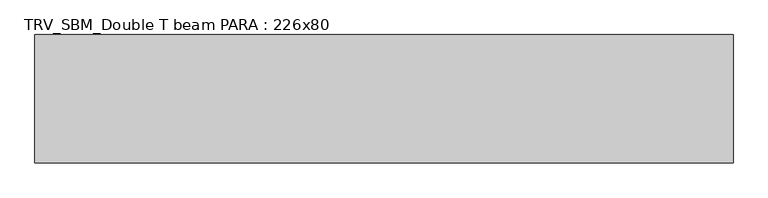
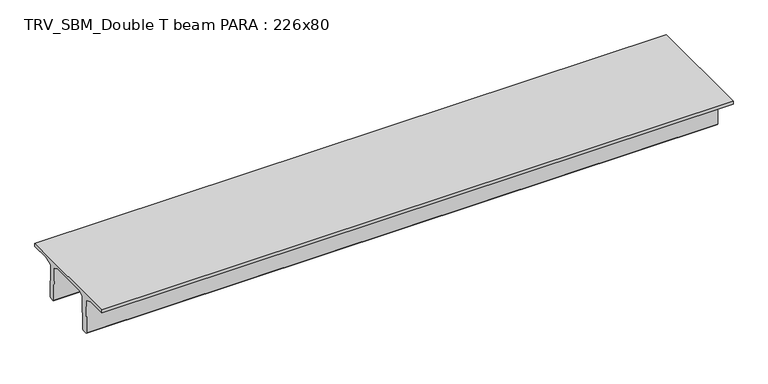
"""IFC4 building model written with IfcOpenShell, lengths in millimetres: beam geometry, TRV_SBM_Double T beam PARA : 226x80."""

from ifc_helpers import new_model, si_unit, frame, origin, place, context, project, spatial, polyline, outline, extrude, source, transform, mapped, element, save


def trv_sbm_double_t_beam_para_226x80_1079ec54(model_context):
    return source(origin(), model_context, "Body", "SweptSolid", [
        extrude(outline(polyline([(352.1399239, 205.988519), (-382.1399239, 205.988519), (-485.0, 144.18395), (-501.9262559, -520.5206011), (-521.4056548, -540.0), (-611.4056548, -540.0), (-631.9887932, -520.5206011), (-615.2025683, 140.6523122), (-776.9153545, 205.988519), (-1145.0, 205.988519), (-1145.0, 260.0), (1115.0, 260.0), (1115.0, 205.988519), (746.9153545, 205.988519), (585.2025683, 140.6523122), (601.9887932, -520.5206011), (581.4056548, -540.0), (491.4056548, -540.0), (471.9262559, -520.5206011), (455.0, 144.18395), (352.1399239, 205.988519)])), frame((-6341.2619919, 0.0, 0.0), z_axis=(1.0, 0.0, 0.0), x_axis=(0.0, 1.0, 0.0)), (0.0, 0.0, 1.0), 12302.1682605),
    ])


if __name__ == "__main__":
    model = new_model("IFC4")
    model_context = context("Model", 3, world=origin())
    ifc_project = project(units=[si_unit("LENGTHUNIT", "METRE", prefix="MILLI")], contexts=[model_context])
    site = spatial("IfcSite", under=ifc_project)
    building = spatial("IfcBuilding", under=site)
    placement = place(None, origin())
    trv_sbm_double_t_beam_para_226x80_shape = trv_sbm_double_t_beam_para_226x80_1079ec54(model_context)
    element("IfcBeam", 1, ObjectType="TRV_SBM_Double T beam PARA : 226x80", at=placement, inside=building, context=model_context, shape_type="MappedRepresentation", body=[
        mapped(trv_sbm_double_t_beam_para_226x80_shape, transform((0.0, 0.0, 0.0), x_axis=(1.0, 0.0, 0.0), y_axis=(0.0, 1.0, 0.0), z_axis=(0.0, 0.0, 1.0))),
    ])
    save(model, "model.ifc")
